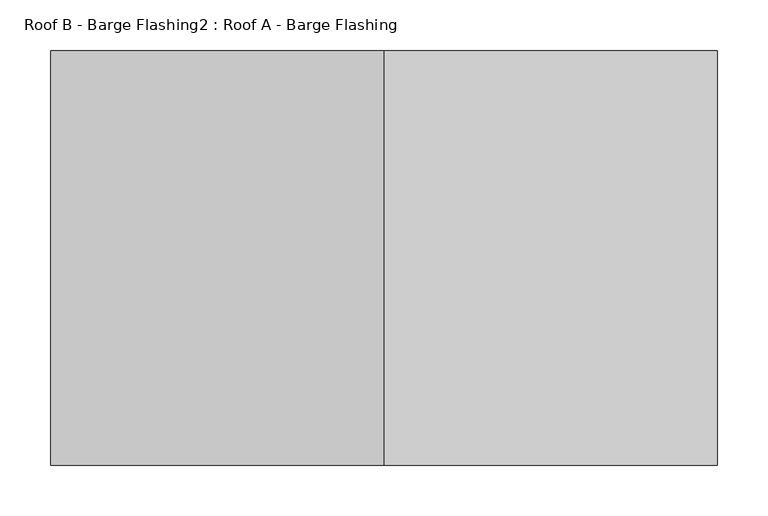
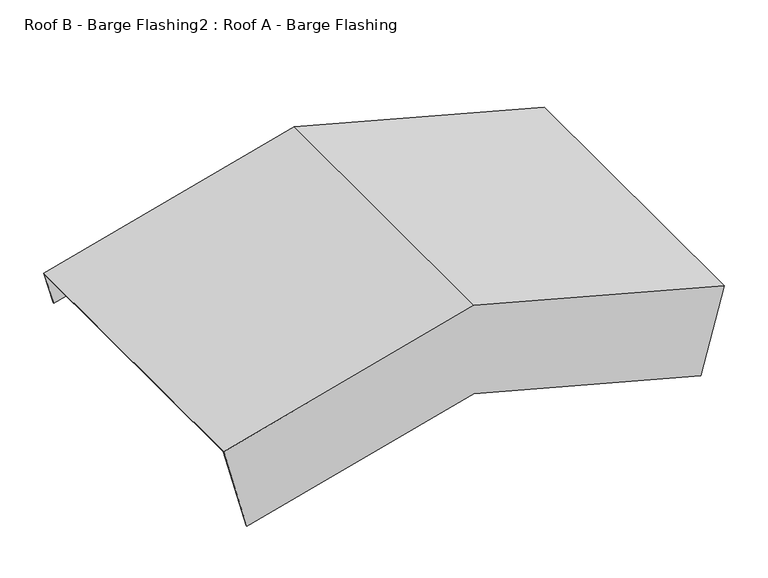
"""IFC4 building model written with IfcOpenShell, lengths in millimetres: proxy geometry, Roof B - Barge Flashing2 : Roof A - Barge Flashing."""

from ifc_helpers import new_model, si_unit, origin, place, context, project, spatial, faceted_brep, source, transform, mapped, element, save


def roof_b_barge_flashing2_roof_a_barge_flashing_4838abc1(model_context):
    return source(origin(), model_context, "Body", "Brep", [
        faceted_brep([(-6549.4027818, -11899.9321957, 4404.0728273), (-6561.4378674, -11899.9321957, 4359.1572764), (-6561.4378674, -11898.9321957, 4359.1572764), (-6549.1439628, -11898.9321957, 4405.0387531), (-6549.1439628, -12309.0668095, 4405.0387531), (-6579.8787244, -12309.0668095, 4290.3350613), (-6579.8787244, -12308.0668095, 4290.3350613), (-6549.4027818, -12308.0668095, 4404.0728273), (-6878.8553653, -11899.9321957, 4492.349381), (-7208.3079487, -11899.9321957, 4404.0728273), (-7196.2728631, -11899.9321957, 4359.1572764), (-6878.8553653, -11899.9321957, 4444.2090386), (-6878.8553653, -11898.9321957, 4444.2090386), (-7196.2728631, -11898.9321957, 4359.1572764), (-7208.5667678, -11898.9321957, 4405.0387531), (-6878.8553653, -11898.9321957, 4493.3846572), (-6878.8553653, -12309.0668095, 4493.3846572), (-7208.5667678, -12309.0668095, 4405.0387531), (-7177.8320062, -12309.0668095, 4290.3350613), (-6878.8553653, -12309.0668095, 4370.4456108), (-6878.8553653, -12308.0668095, 4370.4456108), (-7177.8320062, -12308.0668095, 4290.3350613), (-7208.3079487, -12308.0668095, 4404.0728273), (-6878.8553653, -12308.0668095, 4492.349381)], [[[0, 1, 2, 3, 4, 5, 6, 7]], [[1, 0, 8, 9, 10, 11]], [[2, 1, 11, 12]], [[3, 2, 12, 13, 14, 15]], [[4, 3, 15, 16]], [[5, 4, 16, 17, 18, 19]], [[7, 6, 20, 21, 22, 23]], [[0, 7, 23, 8]], [[9, 22, 21, 18, 17, 14, 13, 10]], [[12, 11, 10, 13]], [[16, 15, 14, 17]], [[8, 23, 22, 9]], [[6, 5, 19, 20]], [[20, 19, 18, 21]]]),
    ])


if __name__ == "__main__":
    model = new_model("IFC4")
    model_context = context("Model", 3, world=origin())
    ifc_project = project(units=[si_unit("LENGTHUNIT", "METRE", prefix="MILLI")], contexts=[model_context])
    site = spatial("IfcSite", under=ifc_project)
    building = spatial("IfcBuilding", under=site)
    placement = place(None, origin())
    roof_b_barge_flashing2_roof_a_barge_flashing_shape = roof_b_barge_flashing2_roof_a_barge_flashing_4838abc1(model_context)
    element("IfcBuildingElementProxy", 1, Name="Roof B - Barge Flashing2 : Roof A - Barge Flashing", ObjectType="Roof B - Barge Flashing2 : Roof A - Barge Flashing", at=placement, inside=building, context=model_context, shape_type="MappedRepresentation", body=[
        mapped(roof_b_barge_flashing2_roof_a_barge_flashing_shape, transform((0.0, 0.0, 0.0), x_axis=(1.0, 0.0, 0.0), y_axis=(0.0, 1.0, 0.0), z_axis=(0.0, 0.0, 1.0))),
    ])
    save(model, "model.ifc")
